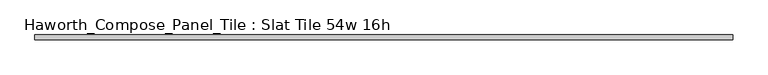
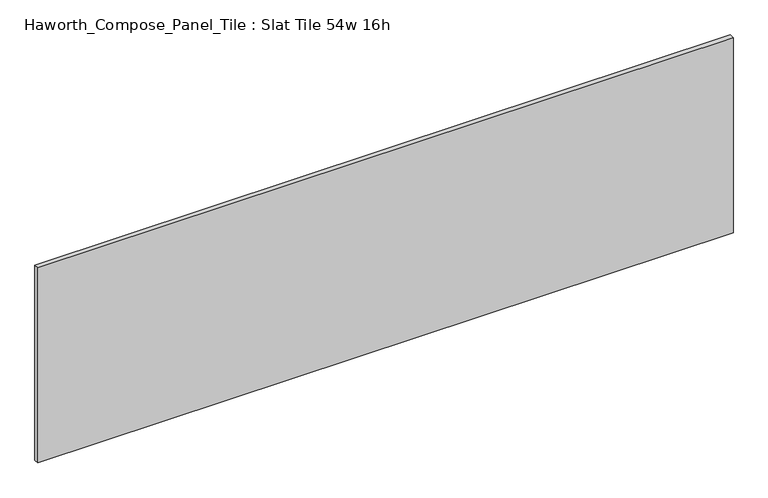
"""IFC4 building model written with IfcOpenShell, lengths in millimetres: furniture geometry, Haworth_Compose_Panel_Tile : Slat Tile 54w 16h."""

from ifc_helpers import new_model, si_unit, frame, origin, place, context, project, spatial, polyline, outline, extrude, source, transform, mapped, element, save


def haworth_compose_panel_tile_slat_tile_54w_16h_6012de23(model_context):
    return source(origin(), model_context, "Body", "SweptSolid", [
        extrude(outline(polyline([(688.2402902, -25.7218594), (-683.3597098, -25.7218594), (-683.3597098, -16.1968594), (688.2402902, -16.1968594), (688.2402902, -25.7218594)])), frame((0.0, 0.0, 1066.8), z_axis=(0.0, 0.0, 1.0), x_axis=(1.0, 0.0, 0.0)), (0.0, 0.0, 1.0), 406.4),
    ])


if __name__ == "__main__":
    model = new_model("IFC4")
    model_context = context("Model", 3, world=origin())
    ifc_project = project(units=[si_unit("LENGTHUNIT", "METRE", prefix="MILLI")], contexts=[model_context])
    site = spatial("IfcSite", under=ifc_project)
    building = spatial("IfcBuilding", under=site)
    placement = place(None, origin())
    haworth_compose_panel_tile_slat_tile_54w_16h_shape = haworth_compose_panel_tile_slat_tile_54w_16h_6012de23(model_context)
    element("IfcFurniture", 1, ObjectType="Haworth_Compose_Panel_Tile : Slat Tile 54w 16h", at=placement, inside=building, context=model_context, shape_type="MappedRepresentation", body=[
        mapped(haworth_compose_panel_tile_slat_tile_54w_16h_shape, transform((0.0, 0.0, 0.0), x_axis=(1.0, 0.0, 0.0), y_axis=(0.0, 1.0, 0.0), z_axis=(0.0, 0.0, 1.0))),
    ])
    save(model, "model.ifc")
